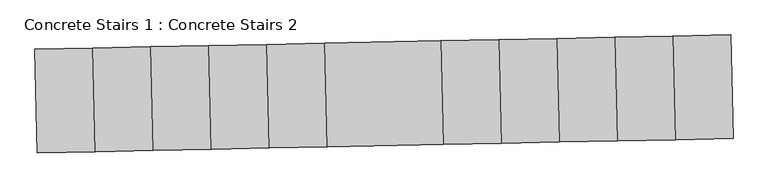
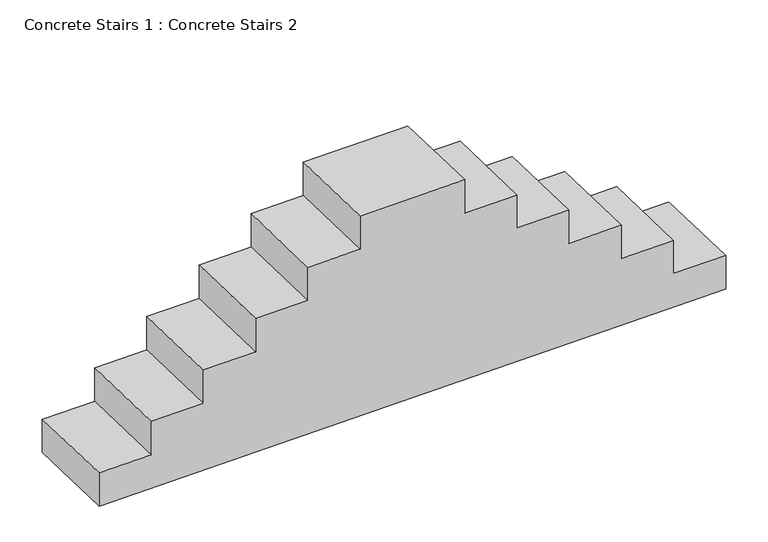
"""IFC4 building model written with IfcOpenShell, lengths in millimetres: proxy geometry, Concrete Stairs 1 : Concrete Stairs 2."""

from ifc_helpers import new_model, si_unit, frame, origin, place, context, project, spatial, polyline, outline, extrude, source, transform, mapped, element, save


def concrete_stairs_1_concrete_stairs_2_0db7baca(model_context):
    return source(origin(), model_context, "Body", "SweptSolid", [
        extrude(outline(polyline([(0.0, 0.0), (406.4, 0.0), (406.4, -609.6), (812.8, -609.6), (812.8, -1219.2), (1219.2, -1219.2), (1219.2, -1828.8), (1625.6, -1828.8), (1625.6, -2438.4), (2032.0, -2438.4), (2032.0, -3047.9999999), (2438.4, -3047.9999999), (2438.4, -4267.2), (2032.0, -4267.2), (2032.0, -4876.8), (1625.6, -4876.8), (1625.6, -5486.4), (1219.2, -5486.4), (1219.2, -6096.0), (812.8, -6096.0), (812.8, -6705.6), (406.4, -6705.6), (406.4, -7315.2), (0.0, -7315.2), (0.0, 0.0)])), frame((142405.3663588, 21589.9935146, 0.0), z_axis=(-0.02069001005656529, 0.9997859388308377, 0.0), x_axis=(0.0, 0.0, 1.0)), (0.0, 0.0, 1.0), 1092.2),
    ])


if __name__ == "__main__":
    model = new_model("IFC4")
    model_context = context("Model", 3, world=origin())
    ifc_project = project(units=[si_unit("LENGTHUNIT", "METRE", prefix="MILLI")], contexts=[model_context])
    site = spatial("IfcSite", under=ifc_project)
    building = spatial("IfcBuilding", under=site)
    placement = place(None, origin())
    concrete_stairs_1_concrete_stairs_2_shape = concrete_stairs_1_concrete_stairs_2_0db7baca(model_context)
    element("IfcBuildingElementProxy", 1, Name="Concrete Stairs 1 : Concrete Stairs 2", ObjectType="Concrete Stairs 1 : Concrete Stairs 2", at=placement, inside=building, context=model_context, shape_type="MappedRepresentation", body=[
        mapped(concrete_stairs_1_concrete_stairs_2_shape, transform((0.0, 0.0, 0.0), x_axis=(1.0, 0.0, 0.0), y_axis=(0.0, 1.0, 0.0), z_axis=(0.0, 0.0, 1.0))),
    ])
    save(model, "model.ifc")
